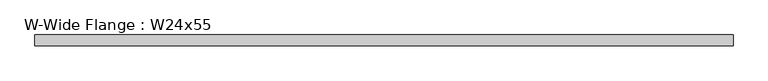
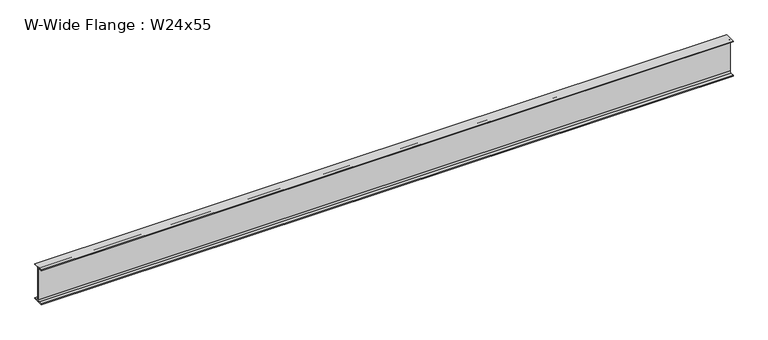
"""IFC4 building model written with IfcOpenShell, lengths in millimetres: beam geometry, W-Wide Flange : W24x55."""

import ifcopenshell
import ifcopenshell.guid

model = None  # the IFC model being written
_history = None  # IfcOwnerHistory: only IFC2X3 demands one
_inside = {}  # id of a spatial element -> (the spatial element, [elements in it])
_under = {}  # id of a project, library or spatial element -> (it, [spatial elements below it])
_declared = {}  # id of a project -> (the project, [libraries it declares])
_typed = {}  # id of a type object -> (the type object, [elements of that type])
_made_of = {}  # id of a material, layer set ... -> (it, [elements and type objects made of it])


def new_model(schema):
    """Start an empty IFC model of exactly this schema.

    Asked for "IFC4X3", IfcOpenShell would pick the latest addendum, in which some entities
    have other attributes; the version numbers below select the first issue.
    IFC2X3 requires an IfcOwnerHistory on every rooted entity: one is made here for all.
    """
    global model, _history
    if schema == "IFC4X3":
        model = ifcopenshell.file(schema_version=(4, 3, 0, 0))
    else:
        model = ifcopenshell.file(schema=schema)
    _inside.clear()
    _under.clear()
    _declared.clear()
    _typed.clear()
    _made_of.clear()
    _history = None
    if model.schema == "IFC2X3":
        org = make("IfcOrganization", Name="unknown")
        user = make(
            "IfcPersonAndOrganization",
            ThePerson=make("IfcPerson", FamilyName="unknown"),
            TheOrganization=org,
        )
        app = make(
            "IfcApplication",
            ApplicationDeveloper=org,
            Version="unknown",
            ApplicationFullName="unknown",
            ApplicationIdentifier="unknown",
        )
        _history = make(
            "IfcOwnerHistory",
            OwningUser=user,
            OwningApplication=app,
            ChangeAction="ADDED",
            CreationDate=0,
        )
    return model


def make(cls, **values):
    """One entity of the class cls with the attributes given. An attribute that is None is left unset."""
    return model.create_entity(
        cls, **{name: value for name, value in values.items() if value is not None}
    )


def rooted(cls, **values):
    """An entity with a GlobalId (a new one), such as an element, a storey or a relation."""
    return make(cls, GlobalId=ifcopenshell.guid.new(), OwnerHistory=_history, **values)


def si_unit(unit_type, name, prefix=None):
    """IfcSIUnit, for example si_unit("LENGTHUNIT", "METRE", prefix="MILLI")."""
    return make("IfcSIUnit", UnitType=unit_type, Prefix=prefix, Name=name)


def assignment(units):
    """IfcUnitAssignment: the units of a project."""
    return None if units is None else make("IfcUnitAssignment", Units=units)


def point(xyz):
    """IfcCartesianPoint."""
    return None if xyz is None else make("IfcCartesianPoint", Coordinates=xyz)


def direction(xyz):
    """IfcDirection."""
    return None if xyz is None else make("IfcDirection", DirectionRatios=xyz)


def frame(location, z_axis=None, x_axis=None):
    """IfcAxis2Placement3D, a coordinate frame: its origin and axes. An axis left out is left unset."""
    return make(
        "IfcAxis2Placement3D",
        Location=point(location),
        Axis=direction(z_axis),
        RefDirection=direction(x_axis),
    )


def frame_2d(location, x_axis=None):
    """IfcAxis2Placement2D, a coordinate frame in the plane: its origin and x axis."""
    return make(
        "IfcAxis2Placement2D", Location=point(location), RefDirection=direction(x_axis)
    )


def origin():
    """The frame at (0, 0, 0) with its axes left unset."""
    return frame((0.0, 0.0, 0.0))


def place(relative_to, where):
    """IfcLocalPlacement: puts the frame where relative to a parent placement (None: the world)."""
    return make(
        "IfcLocalPlacement", PlacementRelTo=relative_to, RelativePlacement=where
    )


def context(
    kind, dimensions, precision=None, world=None, true_north=None, identifier=None
):
    """IfcGeometricRepresentationContext, for example the 3D "Model" context."""
    return make(
        "IfcGeometricRepresentationContext",
        ContextIdentifier=identifier,
        ContextType=kind,
        CoordinateSpaceDimension=dimensions,
        Precision=precision,
        WorldCoordinateSystem=world,
        TrueNorth=true_north,
    )


def project(units=None, contexts=None):
    """IfcProject with its units and contexts."""
    return rooted(
        "IfcProject",
        Name="project",
        RepresentationContexts=contexts,
        UnitsInContext=assignment(units),
    )


def spatial(cls, under=None, at=None, **own):
    """A site, building, storey or space (cls), placed at a placement, below another one or the project."""
    s = rooted(cls, ObjectPlacement=at, **own)
    if under is not None:
        _under.setdefault(under.id(), (under, []))[1].append(s)
    return s


def polyline(points):
    """IfcPolyline through the points."""
    return make("IfcPolyline", Points=[point(p) for p in points])


def circle_curve(where, radius):
    """IfcCircle in the frame where."""
    return make("IfcCircle", Position=where, Radius=radius)


def trimmed(basis, trim1, trim2, sense, master):
    """IfcTrimmedCurve: the piece of a basis curve between two trims."""
    return make(
        "IfcTrimmedCurve",
        BasisCurve=basis,
        Trim1=trim1,
        Trim2=trim2,
        SenseAgreement=sense,
        MasterRepresentation=master,
    )


def segment(curve, same_sense, transition):
    """IfcCompositeCurveSegment."""
    return make(
        "IfcCompositeCurveSegment",
        Transition=transition,
        SameSense=same_sense,
        ParentCurve=curve,
    )


def composite_curve(segments, self_intersect=None):
    """IfcCompositeCurve: segments joined end to end."""
    return make("IfcCompositeCurve", Segments=segments, SelfIntersect=self_intersect)


def outline(outer, holes=None, kind="AREA"):
    """IfcArbitraryClosedProfileDef: a profile drawn as a closed curve; with holes, ...WithVoids."""
    if holes is None:
        return make("IfcArbitraryClosedProfileDef", ProfileType=kind, OuterCurve=outer)
    return make(
        "IfcArbitraryProfileDefWithVoids",
        ProfileType=kind,
        OuterCurve=outer,
        InnerCurves=holes,
    )


def extrude(swept, where, along, depth):
    """IfcExtrudedAreaSolid: the profile swept, set in the frame where, extruded along a direction by depth."""
    return make(
        "IfcExtrudedAreaSolid",
        SweptArea=swept,
        Position=where,
        ExtrudedDirection=direction(along),
        Depth=depth,
    )


def shape(context_of_items, identifier, shape_type, items):
    """IfcShapeRepresentation: the items that make up one representation, for example the "Body"."""
    return make(
        "IfcShapeRepresentation",
        ContextOfItems=context_of_items,
        RepresentationIdentifier=identifier,
        RepresentationType=shape_type,
        Items=items,
    )


def source(mapping_origin, context_of_items, identifier, shape_type, items):
    """IfcRepresentationMap: a shape defined once, which mapped items show again and again."""
    return make(
        "IfcRepresentationMap",
        MappingOrigin=mapping_origin,
        MappedRepresentation=shape(context_of_items, identifier, shape_type, items),
    )


def transform(
    local_origin,
    x_axis=None,
    y_axis=None,
    z_axis=None,
    scale=None,
    scale2=None,
    scale3=None,
    uniform=True,
):
    """IfcCartesianTransformationOperator3D, or its non-uniform kind. x_axis, y_axis, z_axis: its Axis1, 2, 3."""
    if uniform:
        return make(
            "IfcCartesianTransformationOperator3D",
            Axis1=direction(x_axis),
            Axis2=direction(y_axis),
            LocalOrigin=point(local_origin),
            Scale=scale,
            Axis3=direction(z_axis),
        )
    return make(
        "IfcCartesianTransformationOperator3DnonUniform",
        Axis1=direction(x_axis),
        Axis2=direction(y_axis),
        LocalOrigin=point(local_origin),
        Scale=scale,
        Axis3=direction(z_axis),
        Scale2=scale2,
        Scale3=scale3,
    )


def mapped(mapping_source, mapping_target):
    """IfcMappedItem: shows the shape of a source again, moved by a transform."""
    return make(
        "IfcMappedItem", MappingSource=mapping_source, MappingTarget=mapping_target
    )


def made_of(thing, what):
    """Note that an element or type object is made of a material, layer set ...; save() writes the relation."""
    if what is not None:
        _made_of.setdefault(what.id(), (what, []))[1].append(thing)
    return thing


def element(
    cls,
    number,
    at=None,
    inside=None,
    cuts=None,
    type_object=None,
    material=None,
    context=None,
    identifier="Body",
    shape_type=None,
    held_by="IfcProductDefinitionShape",
    body=None,
    shapes=None,
    **own,
):
    """One element of the class cls, such as IfcWall. Its Tag is "e" and its number.

    at: its placement. inside: the storey or other place that contains it. cuts: it is an
    opening in that element (IfcRelVoidsElement). A single representation is given by context,
    identifier, shape_type and body (its items); several are given by shapes. held_by: the class
    of the entity that holds the representations. save() writes the other relations.
    """
    e = rooted(cls, Tag="e%d" % number, ObjectPlacement=at, **own)
    if body is not None:
        shapes = [shape(context, identifier, shape_type, body)]
    if shapes is not None:
        e.Representation = make(held_by, Representations=shapes)
    if inside is not None:
        _inside.setdefault(inside.id(), (inside, []))[1].append(e)
    if cuts is not None:
        rooted(
            "IfcRelVoidsElement", RelatingBuildingElement=cuts, RelatedOpeningElement=e
        )
    if type_object is not None:
        _typed.setdefault(type_object.id(), (type_object, []))[1].append(e)
    return made_of(e, material)


def aggregate(whole, parts):
    """IfcRelAggregates: a whole, such as a stair, and the parts it consists of."""
    return rooted("IfcRelAggregates", RelatingObject=whole, RelatedObjects=parts)


def save(model, path):
    """Write the relations noted so far, then the file.

    IfcRelAggregates (storeys below a building ...), IfcRelContainedInSpatialStructure (elements
    in a storey), IfcRelDefinesByType, IfcRelAssociatesMaterial and IfcRelDeclares: one each for
    every whole, place, type object, material and project.
    """
    for whole, parts in _under.values():
        aggregate(whole, parts)
    for where, things in _inside.values():
        rooted(
            "IfcRelContainedInSpatialStructure",
            RelatedElements=things,
            RelatingStructure=where,
        )
    for kind, things in _typed.values():
        rooted("IfcRelDefinesByType", RelatedObjects=things, RelatingType=kind)
    for what, things in _made_of.values():
        rooted("IfcRelAssociatesMaterial", RelatedObjects=things, RelatingMaterial=what)
    for by, libraries in _declared.values():
        rooted("IfcRelDeclares", RelatingContext=by, RelatedDefinitions=libraries)
    model.write(path)


def w_wide_flange_w24x55_ec3f7ae5(model_context):
    return source(origin(), model_context, "Body", "SweptSolid", [
        extrude(outline(composite_curve([segment(polyline([(89.027, -286.893), (89.027, -299.72), (-89.027, -299.72), (-89.027, -286.893), (-28.702, -286.893)]), True, "CONTINUOUS"), segment(trimmed(circle_curve(frame_2d((-28.702, -263.2075)), 23.6855), [point((-28.702, -286.893))], [point((-5.0165, -263.2075))], True, "CARTESIAN"), True, "CONTINUOUS"), segment(polyline([(-5.0165, -263.2075), (-5.0165, 263.2075)]), True, "CONTINUOUS"), segment(trimmed(circle_curve(frame_2d((-28.702, 263.2075)), 23.6855), [point((-5.0165, 263.2075))], [point((-28.702, 286.893))], True, "CARTESIAN"), True, "CONTINUOUS"), segment(polyline([(-28.702, 286.893), (-89.027, 286.893), (-89.027, 299.72), (89.027, 299.72), (89.027, 286.893), (28.702, 286.893)]), True, "CONTINUOUS"), segment(trimmed(circle_curve(frame_2d((28.702, 263.2075)), 23.6855), [point((28.702, 286.893))], [point((5.0165, 263.2075))], True, "CARTESIAN"), True, "CONTINUOUS"), segment(polyline([(5.0165, 263.2075), (5.0165, -263.2075)]), True, "CONTINUOUS"), segment(trimmed(circle_curve(frame_2d((28.702, -263.2075)), 23.6855), [point((5.0165, -263.2075))], [point((28.702, -286.893))], True, "CARTESIAN"), True, "CONTINUOUS"), segment(polyline([(28.702, -286.893), (89.027, -286.893)]), True, "CONTINUOUS")], self_intersect=False)), frame((-5576.5606977, 0.0, 0.0), z_axis=(1.0, 0.0, 0.0), x_axis=(0.0, 1.0, 0.0)), (0.0, 0.0, 1.0), 11254.74),
    ])


if __name__ == "__main__":
    model = new_model("IFC4")
    model_context = context("Model", 3, world=origin())
    ifc_project = project(units=[si_unit("LENGTHUNIT", "METRE", prefix="MILLI")], contexts=[model_context])
    site = spatial("IfcSite", under=ifc_project)
    building = spatial("IfcBuilding", under=site)
    placement = place(None, origin())
    w_wide_flange_w24x55_shape = w_wide_flange_w24x55_ec3f7ae5(model_context)
    element("IfcBeam", 1, ObjectType="W-Wide Flange : W24x55", at=placement, inside=building, context=model_context, shape_type="MappedRepresentation", body=[
        mapped(w_wide_flange_w24x55_shape, transform((0.0, 0.0, 0.0), x_axis=(1.0, 0.0, 0.0), y_axis=(0.0, 1.0, 0.0), z_axis=(0.0, 0.0, 1.0))),
    ])
    save(model, "model.ifc")
